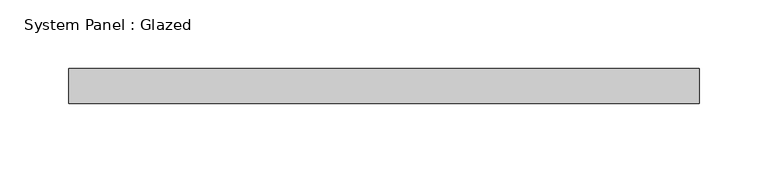
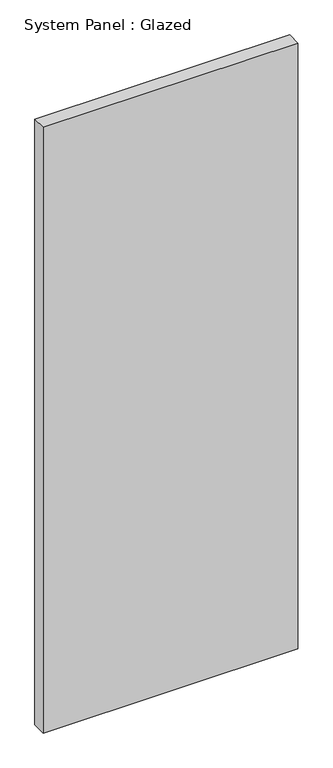
"""IFC4 building model written with IfcOpenShell, lengths in millimetres: plate geometry, System Panel : Glazed."""

from ifc_helpers import new_model, si_unit, origin, origin_with_axes, place, context, project, spatial, polyline, outline, extrude, source, transform, mapped, element, save


def system_panel_glazed_6c4d5284(model_context):
    return source(origin(), model_context, "Body", "SweptSolid", [
        extrude(outline(polyline([(228.6, -12.7), (-228.6, -12.7), (-228.6, 12.7), (228.6, 12.7), (228.6, -12.7)])), origin_with_axes(), (0.0, 0.0, 1.0), 1149.35),
    ])


if __name__ == "__main__":
    model = new_model("IFC4")
    model_context = context("Model", 3, world=origin())
    ifc_project = project(units=[si_unit("LENGTHUNIT", "METRE", prefix="MILLI")], contexts=[model_context])
    site = spatial("IfcSite", under=ifc_project)
    building = spatial("IfcBuilding", under=site)
    placement = place(None, origin())
    system_panel_glazed_shape = system_panel_glazed_6c4d5284(model_context)
    element("IfcPlate", 1, ObjectType="System Panel : Glazed", at=placement, inside=building, context=model_context, shape_type="MappedRepresentation", body=[
        mapped(system_panel_glazed_shape, transform((0.0, 0.0, 0.0), x_axis=(1.0, 0.0, 0.0), y_axis=(0.0, 1.0, 0.0), z_axis=(0.0, 0.0, 1.0))),
    ])
    save(model, "model.ifc")
